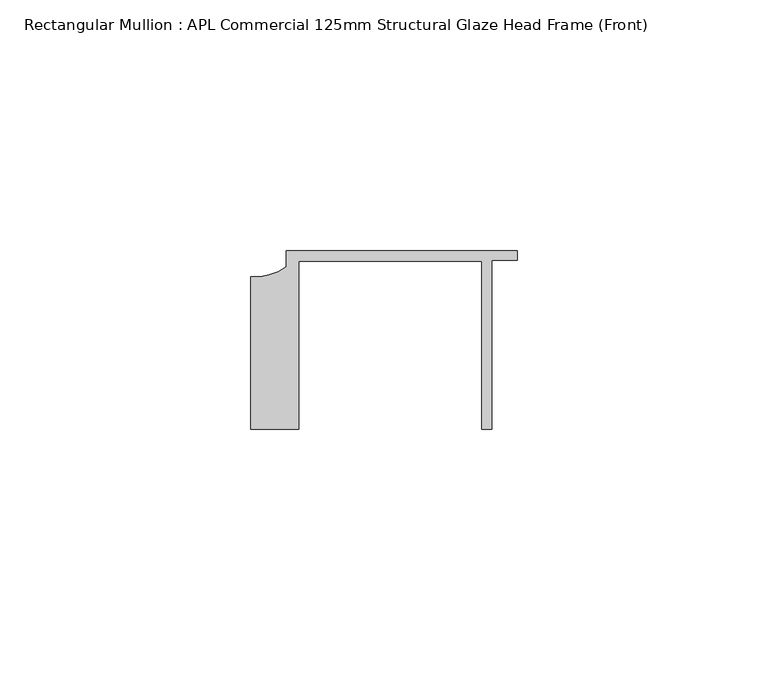
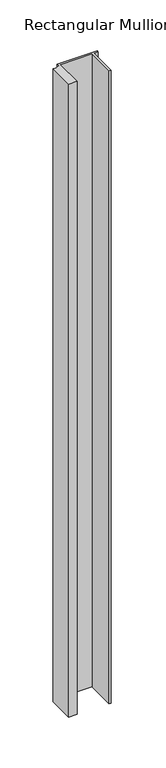
"""IFC4 building model written with IfcOpenShell, lengths in millimetres: member geometry, Rectangular Mullion : APL Commercial 125mm Structural Glaze Head Frame (Front)."""

from ifc_helpers import new_model, si_unit, point, frame, frame_2d, origin, place, context, project, spatial, polyline, circle_curve, trimmed, segment, composite_curve, outline, extrude, source, transform, mapped, element, save


def rectangular_mullion_apl_commercial_125mm_structural_glaze_45d003f6(model_context):
    return source(origin(), model_context, "Body", "SweptSolid", [
        extrude(outline(composite_curve([segment(polyline([(-52.9999542, -15.0), (-52.9999542, 15.3798304)]), True, "CONTINUOUS"), segment(trimmed(circle_curve(frame_2d((-52.109817, 25.7982641)), 10.4563907), [point((-52.9999542, 15.3798304))], [point((-45.9999994, 17.3126154))], True, "CARTESIAN"), True, "CONTINUOUS"), segment(polyline([(-45.9999994, 17.3126154), (-45.9999994, 20.5002486), (0.0, 20.5002486), (0.0, 18.7002486), (-5.0, 18.7002486), (-5.0, -15.0), (-7.0, -15.0), (-7.0, 18.5002486), (-43.5000151, 18.5002486), (-43.5000151, -15.0), (-52.9999542, -15.0)]), True, "CONTINUOUS")], self_intersect=False)), frame((0.0, 0.0, -759.4851421), z_axis=(0.0, 0.0, 1.0), x_axis=(1.0, 0.0, 0.0)), (0.0, 0.0, 1.0), 759.4851421),
    ])


if __name__ == "__main__":
    model = new_model("IFC4")
    model_context = context("Model", 3, world=origin())
    ifc_project = project(units=[si_unit("LENGTHUNIT", "METRE", prefix="MILLI")], contexts=[model_context])
    site = spatial("IfcSite", under=ifc_project)
    building = spatial("IfcBuilding", under=site)
    placement = place(None, origin())
    rectangular_mullion_apl_commercial_125mm_structural_glaze_shape = rectangular_mullion_apl_commercial_125mm_structural_glaze_45d003f6(model_context)
    element("IfcMember", 1, ObjectType="Rectangular Mullion : APL Commercial 125mm Structural Glaze Head Frame (Front)", at=placement, inside=building, context=model_context, shape_type="MappedRepresentation", body=[
        mapped(rectangular_mullion_apl_commercial_125mm_structural_glaze_shape, transform((0.0, 0.0, 0.0), x_axis=(1.0, 0.0, 0.0), y_axis=(0.0, 1.0, 0.0), z_axis=(0.0, 0.0, 1.0))),
    ])
    save(model, "model.ifc")
